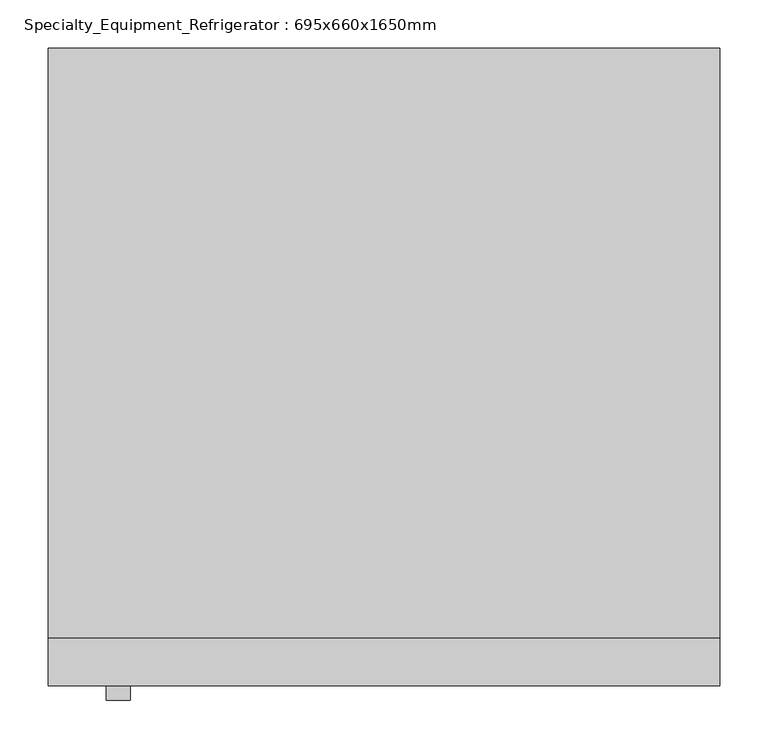
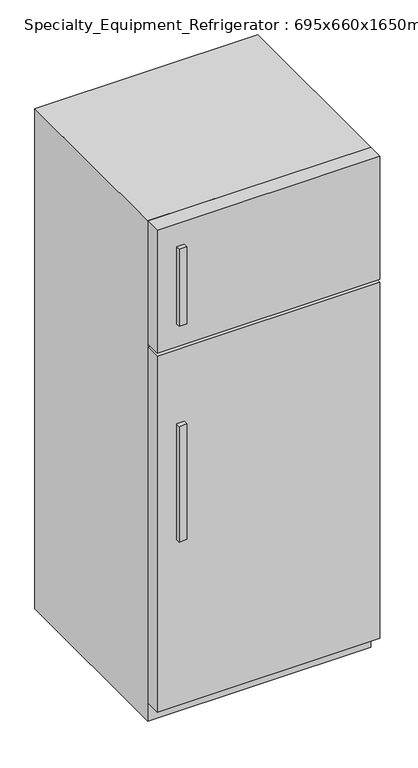
"""IFC4 building model written with IfcOpenShell, lengths in millimetres: proxy geometry, Specialty_Equipment_Refrigerator : 695x660x1650mm."""

from ifc_helpers import new_model, si_unit, frame, origin, origin_with_axes, place, context, project, spatial, polyline, outline, extrude, source, transform, mapped, element, save


def specialty_equipment_refrigerator_695x660x1650mm_d4e89a39(model_context):
    return source(origin(), model_context, "Body", "SweptSolid", [
        extrude(outline(polyline([(695.0, 762.0), (695.0, 152.0), (0.0, 152.0), (0.0, 762.0), (695.0, 762.0)])), origin_with_axes(), (0.0, 0.0, 1.0), 1650.0),
        extrude(outline(polyline([(695.0, 102.0), (0.0, 102.0), (0.0, 152.0), (695.0, 152.0), (695.0, 102.0)])), frame((0.0, 0.0, 1244.0), z_axis=(0.0, 0.0, 1.0), x_axis=(1.0, 0.0, 0.0)), (0.0, 0.0, 1.0), 406.0),
        extrude(outline(polyline([(695.0, 102.0), (0.0, 102.0), (0.0, 152.0), (695.0, 152.0), (695.0, 102.0)])), frame((0.0, 0.0, 60.0), z_axis=(0.0, 0.0, 1.0), x_axis=(1.0, 0.0, 0.0)), (0.0, 0.0, 1.0), 1174.0),
        extrude(outline(polyline([(84.664069, 87.0), (60.0, 87.0), (60.0, 102.0), (84.664069, 102.0), (84.664069, 87.0)])), frame((0.0, 0.0, 1320.0), z_axis=(0.0, 0.0, 1.0), x_axis=(1.0, 0.0, 0.0)), (0.0, 0.0, 1.0), 254.0),
        extrude(outline(polyline([(84.664069, 87.0), (60.0, 87.0), (60.0, 102.0), (84.664069, 102.0), (84.664069, 87.0)])), frame((0.0, 0.0, 609.0), z_axis=(0.0, 0.0, 1.0), x_axis=(1.0, 0.0, 0.0)), (0.0, 0.0, 1.0), 381.0),
    ])


if __name__ == "__main__":
    model = new_model("IFC4")
    model_context = context("Model", 3, world=origin())
    ifc_project = project(units=[si_unit("LENGTHUNIT", "METRE", prefix="MILLI")], contexts=[model_context])
    site = spatial("IfcSite", under=ifc_project)
    building = spatial("IfcBuilding", under=site)
    placement = place(None, origin())
    specialty_equipment_refrigerator_695x660x1650mm_shape = specialty_equipment_refrigerator_695x660x1650mm_d4e89a39(model_context)
    element("IfcBuildingElementProxy", 1, Name="Specialty_Equipment_Refrigerator : 695x660x1650mm", ObjectType="Specialty_Equipment_Refrigerator : 695x660x1650mm", at=placement, inside=building, context=model_context, shape_type="MappedRepresentation", body=[
        mapped(specialty_equipment_refrigerator_695x660x1650mm_shape, transform((0.0, 0.0, 0.0), x_axis=(1.0, 0.0, 0.0), y_axis=(0.0, 1.0, 0.0), z_axis=(0.0, 0.0, 1.0))),
    ])
    save(model, "model.ifc")
